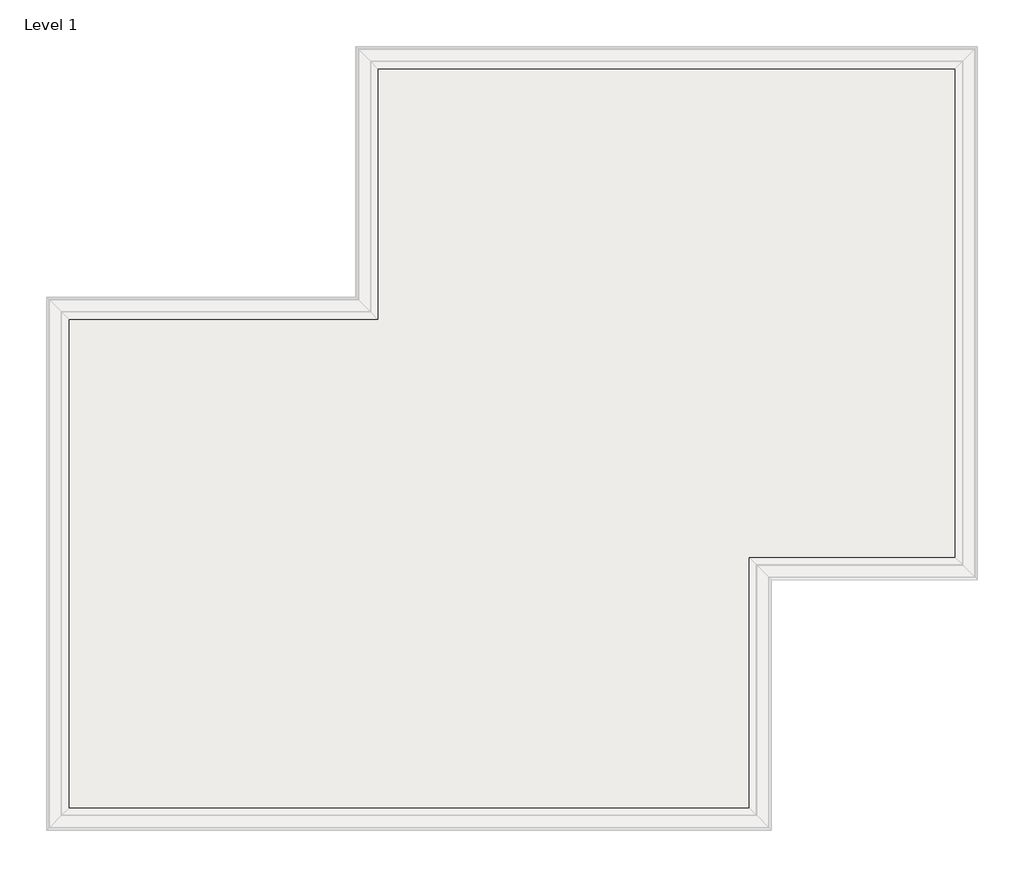
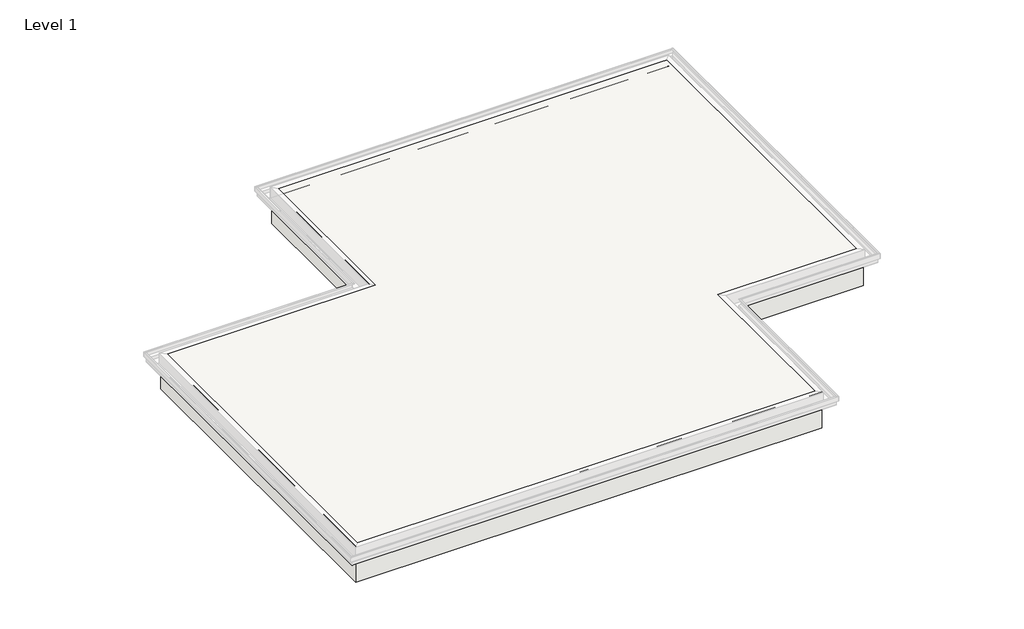
# One storey, part 10 of 16: 1 roof.
"""IFC4 building model written with IfcOpenShell, lengths in millimetres."""

from ifc_helpers import new_model, si_unit, origin, origin_with_axes, place, context, project, spatial, polyline, outline, extrude, element, save

model = new_model("IFC4")

# Units and contexts
model_context = context("Model", 3, world=origin())
ifc_project = project(units=[si_unit("LENGTHUNIT", "METRE", prefix="MILLI")], contexts=[model_context])

# Site, building, storey
site = spatial("IfcSite", under=ifc_project)
building = spatial("IfcBuilding", under=site)
storey = spatial("IfcBuildingStorey", under=building, Name="Level 1", Elevation=0.0)

# Roof
placement = place(None, origin())
element("IfcRoof", 1, at=placement, inside=storey, context=model_context, shape_type="SweptSolid", body=[
    extrude(outline(polyline([(-15426.1474759, 7918.9689141), (-15426.1474759, 2737.3689141), (-17559.7474759, 2737.3689141), (-17559.7474759, 146.5689141), (-24722.5474759, 146.5689141), (-24722.5474759, 5328.1689141), (-21522.1474759, 5328.1689141), (-21522.1474759, 7918.9689141), (-15426.1474759, 7918.9689141)])), origin_with_axes(), (0.0, 0.0, 1.0), 584.2),
])

save(model, "model.ifc")
